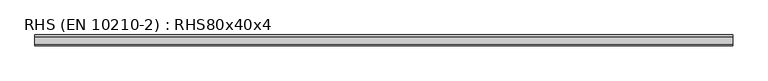
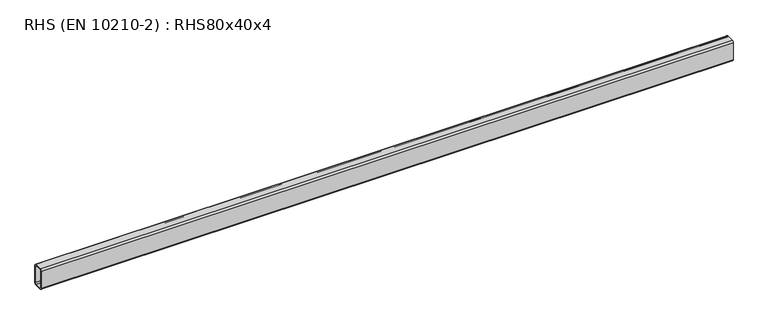
"""IFC4 building model written with IfcOpenShell, lengths in millimetres: beam geometry, RHS (EN 10210-2) : RHS80x40x4."""

from ifc_helpers import new_model, si_unit, point, frame, frame_2d, origin, place, context, project, spatial, polyline, circle_curve, trimmed, segment, composite_curve, outline, extrude, source, transform, mapped, element, save


def rhs_en_10210_2_rhs80x40x4_2522e527(model_context):
    return source(origin(), model_context, "Body", "SweptSolid", [
        extrude(outline(composite_curve([segment(polyline([(20.0, 34.0), (20.0, -34.0)]), True, "CONTINUOUS"), segment(trimmed(circle_curve(frame_2d((14.0, -34.0)), 6.0), [point((20.0, -34.0))], [point((14.0, -40.0))], False, "CARTESIAN"), True, "CONTINUOUS"), segment(polyline([(14.0, -40.0), (-14.0, -40.0)]), True, "CONTINUOUS"), segment(trimmed(circle_curve(frame_2d((-14.0, -34.0)), 6.0), [point((-14.0, -40.0))], [point((-20.0, -34.0))], False, "CARTESIAN"), True, "CONTINUOUS"), segment(polyline([(-20.0, -34.0), (-20.0, 34.0)]), True, "CONTINUOUS"), segment(trimmed(circle_curve(frame_2d((-14.0, 34.0)), 6.0), [point((-20.0, 34.0))], [point((-14.0, 40.0))], False, "CARTESIAN"), True, "CONTINUOUS"), segment(polyline([(-14.0, 40.0), (14.0, 40.0)]), True, "CONTINUOUS"), segment(trimmed(circle_curve(frame_2d((14.0, 34.0)), 6.0), [point((14.0, 40.0))], [point((20.0, 34.0))], False, "CARTESIAN"), True, "CONTINUOUS")], self_intersect=False), holes=[composite_curve([segment(trimmed(circle_curve(frame_2d((-12.0, 32.0)), 4.0), [point((-12.0, 36.0))], [point((-16.0, 32.0))], True, "CARTESIAN"), True, "CONTINUOUS"), segment(polyline([(-16.0, 32.0), (-16.0, -32.0)]), True, "CONTINUOUS"), segment(trimmed(circle_curve(frame_2d((-12.0, -32.0)), 4.0), [point((-16.0, -32.0))], [point((-12.0, -36.0))], True, "CARTESIAN"), True, "CONTINUOUS"), segment(polyline([(-12.0, -36.0), (12.0, -36.0)]), True, "CONTINUOUS"), segment(trimmed(circle_curve(frame_2d((12.0, -32.0)), 4.0), [point((12.0, -36.0))], [point((16.0, -32.0))], True, "CARTESIAN"), True, "CONTINUOUS"), segment(polyline([(16.0, -32.0), (16.0, 32.0)]), True, "CONTINUOUS"), segment(trimmed(circle_curve(frame_2d((12.0, 32.0)), 4.0), [point((16.0, 32.0))], [point((12.0, 36.0))], True, "CARTESIAN"), True, "CONTINUOUS"), segment(polyline([(12.0, 36.0), (-12.0, 36.0)]), True, "CONTINUOUS")], self_intersect=False)]), frame((-1174.4, 0.0, 0.0), z_axis=(1.0, 0.0, 0.0), x_axis=(0.0, 1.0, 0.0)), (0.0, 0.0, 1.0), 2582.8),
    ])


if __name__ == "__main__":
    model = new_model("IFC4")
    model_context = context("Model", 3, world=origin())
    ifc_project = project(units=[si_unit("LENGTHUNIT", "METRE", prefix="MILLI")], contexts=[model_context])
    site = spatial("IfcSite", under=ifc_project)
    building = spatial("IfcBuilding", under=site)
    placement = place(None, origin())
    rhs_en_10210_2_rhs80x40x4_shape = rhs_en_10210_2_rhs80x40x4_2522e527(model_context)
    element("IfcBeam", 1, ObjectType="RHS (EN 10210-2) : RHS80x40x4", at=placement, inside=building, context=model_context, shape_type="MappedRepresentation", body=[
        mapped(rhs_en_10210_2_rhs80x40x4_shape, transform((0.0, 0.0, 0.0), x_axis=(1.0, 0.0, 0.0), y_axis=(0.0, 1.0, 0.0), z_axis=(0.0, 0.0, 1.0))),
    ])
    save(model, "model.ifc")
